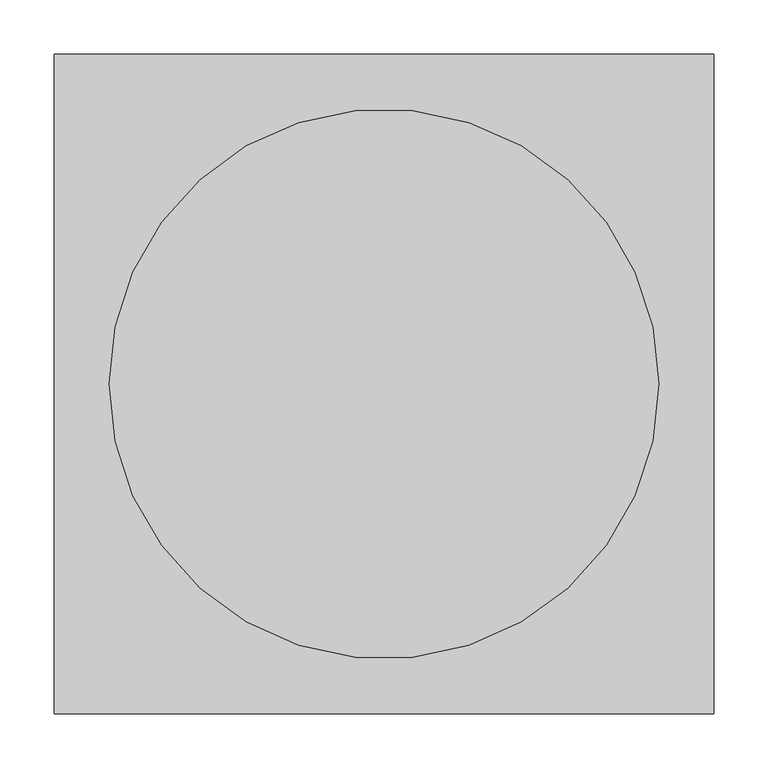
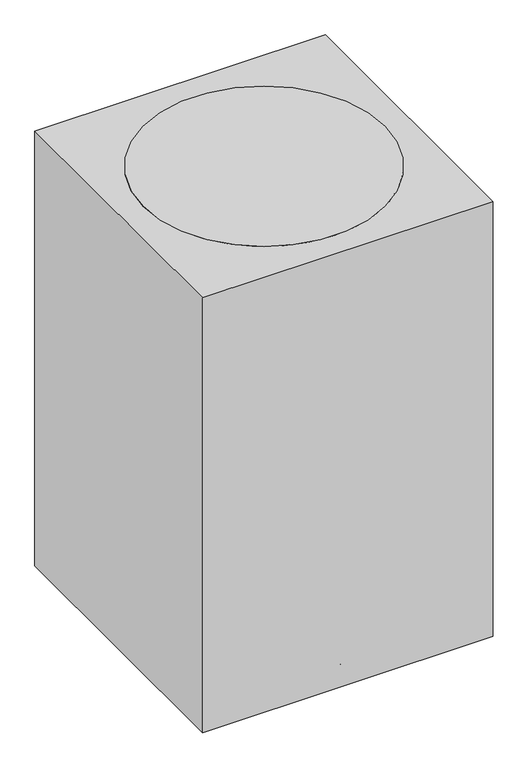
"""IFC4 building model written with IfcOpenShell, lengths in millimetres: proxy geometry."""

from ifc_helpers import new_model, si_unit, point, frame, frame_2d, origin, origin_with_axes, origin_2d, place, context, project, spatial, polyline, circle_curve, trimmed, segment, composite_curve, outline, extrude, source, transform, mapped, element, save


def specialty_equipment_202f6a34(model_context):
    return source(origin(), model_context, "Body", "SweptSolid", [
        extrude(outline(composite_curve([segment(trimmed(circle_curve(frame_2d((0.0, 25.7612183)), 25.7612183), [point((0.0, 51.5224365))], [point((0.0, 0.0))], False, "CARTESIAN"), True, "CONTINUOUS"), segment(trimmed(circle_curve(frame_2d((0.0, 25.7612183)), 25.7612183), [point((0.0, 0.0))], [point((0.0, 51.5224365))], False, "CARTESIAN"), True, "CONTINUOUS")], self_intersect=False)), frame((194.0446927, -79.7409054, 25.7612183), z_axis=(0.3090169943748919, 0.9510565162951716, 0.0), x_axis=(0.0, 0.0, 1.0)), (0.0, 0.0, 1.0), 31.75),
        extrude(outline(composite_curve([segment(polyline([(57.1058784, 0.0), (0.678315, 0.0)]), True, "CONTINUOUS"), segment(trimmed(circle_curve(frame_2d((28.8920967, 0.0)), 28.2137817), [point((0.678315, 0.0))], [point((57.1058784, 0.0))], False, "CARTESIAN"), True, "CONTINUOUS")], self_intersect=False)), frame((245.0419551, -99.649313, 25.7612183), z_axis=(0.30901699437489183, 0.9510565162951716, 0.0), x_axis=(-0.9510565162951716, 0.30901699437489183, 0.0)), (0.0, 0.0, 1.0), 38.1),
        extrude(outline(composite_curve([segment(trimmed(circle_curve(frame_2d((223.4509477, -72.6028121)), 3.5091751), [point((222.3665529, -75.940236))], [point((224.5353424, -69.2653883))], False, "CARTESIAN"), True, "CONTINUOUS"), segment(trimmed(circle_curve(frame_2d((223.4509477, -72.6028121)), 3.5091751), [point((224.5353424, -69.2653883))], [point((222.3665529, -75.940236))], False, "CARTESIAN"), True, "CONTINUOUS")], self_intersect=False)), frame((0.0, 0.0, 53.975), z_axis=(0.0, 0.0, 1.0), x_axis=(1.0, 0.0, 0.0)), (0.0, 0.0, 1.0), 13.49375),
        extrude(outline(polyline([(230.0293313, -68.0638809), (226.105055, -80.1415615), (21.4736172, -13.6527769), (25.3978935, -1.5750963), (230.0293313, -68.0638809)])), frame((0.0, 0.0, 67.46875), z_axis=(0.0, 0.0, 1.0), x_axis=(1.0, 0.0, 0.0)), (0.0, 0.0, 1.0), 50.8),
        extrude(outline(composite_curve([segment(trimmed(circle_curve(frame_2d((0.0, 25.7612183)), 25.7612183), [point((0.0, 51.5224366))], [point((0.0, 0.0))], False, "CARTESIAN"), True, "CONTINUOUS"), segment(trimmed(circle_curve(frame_2d((0.0, 25.7612183)), 25.7612183), [point((0.0, 0.0))], [point((0.0, 51.5224366))], False, "CARTESIAN"), True, "CONTINUOUS")], self_intersect=False)), frame((135.8012154, 159.9061745, 25.7612183), z_axis=(-0.8090169943749846, 0.5877852522924221, 0.0), x_axis=(0.0, 0.0, 1.0)), (0.0, 0.0, 1.0), 31.75),
        extrude(outline(composite_curve([segment(polyline([(57.1058785, 0.0), (0.678315, 0.0)]), True, "CONTINUOUS"), segment(trimmed(circle_curve(frame_2d((28.8920967, 0.0)), 28.2137817), [point((0.678315, 0.0))], [point((57.1058785, 0.0))], False, "CARTESIAN"), True, "CONTINUOUS")], self_intersect=False)), frame((170.4942569, 202.255417, 25.7612183), z_axis=(-0.8090169943749845, 0.5877852522924222, 0.0), x_axis=(-0.5877852522924222, -0.8090169943749845, 0.0)), (0.0, 0.0, 1.0), 38.1),
        extrude(outline(composite_curve([segment(trimmed(circle_curve(frame_2d((138.0995178, 190.0789771)), 3.5091751), [point((140.9385001, 188.0163357))], [point((135.2605355, 192.1416185))], False, "CARTESIAN"), True, "CONTINUOUS"), segment(trimmed(circle_curve(frame_2d((138.0995178, 190.0789771)), 3.5091751), [point((135.2605355, 192.1416185))], [point((140.9385001, 188.0163357))], False, "CARTESIAN"), True, "CONTINUOUS")], self_intersect=False)), frame((0.0, 0.0, 53.975), z_axis=(0.0, 0.0, 1.0), x_axis=(1.0, 0.0, 0.0)), (0.0, 0.0, 1.0), 13.49375),
        extrude(outline(polyline([(135.81557, 197.7379985), (146.0894588, 190.2735815), (19.620275, 16.2036835), (9.3463863, 23.6681006), (135.81557, 197.7379985)])), frame((0.0, 0.0, 67.46875), z_axis=(0.0, 0.0, 1.0), x_axis=(1.0, 0.0, 0.0)), (0.0, 0.0, 1.0), 50.8),
        extrude(outline(composite_curve([segment(trimmed(circle_curve(frame_2d((0.0, 25.7612183)), 25.7612183), [point((0.0, 51.5224366))], [point((0.0, 0.0))], False, "CARTESIAN"), True, "CONTINUOUS"), segment(trimmed(circle_curve(frame_2d((0.0, 25.7612183)), 25.7612183), [point((0.0, 0.0))], [point((0.0, 51.5224366))], False, "CARTESIAN"), True, "CONTINUOUS")], self_intersect=False)), frame((-135.8012154, 159.9061745, 25.7612183), z_axis=(0.8090169943749151, 0.5877852522925178, 0.0), x_axis=(0.0, 0.0, -1.0)), (0.0, 0.0, 1.0), 31.75),
        extrude(outline(composite_curve([segment(trimmed(circle_curve(frame_2d((-28.8920967, 0.0)), 28.2137817), [point((-57.1058785, 0.0))], [point((-0.678315, 0.0))], False, "CARTESIAN"), True, "CONTINUOUS"), segment(polyline([(-0.678315, 0.0), (-57.1058785, 0.0)]), True, "CONTINUOUS")], self_intersect=False)), frame((-170.4942569, 202.255417, 25.7612183), z_axis=(0.809016994374915, 0.5877852522925177, 0.0), x_axis=(-0.5877852522925177, 0.809016994374915, 0.0)), (0.0, 0.0, 1.0), 38.1),
        extrude(outline(composite_curve([segment(trimmed(circle_curve(frame_2d((-138.1007518, 190.0780805)), 3.5091751), [point((-135.2617695, 192.1407219))], [point((-140.9397341, 188.0154391))], False, "CARTESIAN"), True, "CONTINUOUS"), segment(trimmed(circle_curve(frame_2d((-138.1007518, 190.0780805)), 3.5091751), [point((-140.9397341, 188.0154391))], [point((-135.2617695, 192.1407219))], False, "CARTESIAN"), True, "CONTINUOUS")], self_intersect=False)), frame((0.0, 0.0, 53.975), z_axis=(0.0, 0.0, 1.0), x_axis=(1.0, 0.0, 0.0)), (0.0, 0.0, 1.0), 13.49375),
        extrude(outline(polyline([(-146.0906928, 190.2726849), (-135.8168041, 197.737102), (-9.3476203, 23.667204), (-19.6215091, 16.2027869), (-146.0906928, 190.2726849)])), frame((0.0, 0.0, 67.46875), z_axis=(0.0, 0.0, 1.0), x_axis=(1.0, 0.0, 0.0)), (0.0, 0.0, 1.0), 50.8),
        extrude(outline(composite_curve([segment(trimmed(circle_curve(frame_2d((0.0, 25.7612183)), 25.7612183), [point((0.0, 51.5224365))], [point((0.0, 0.0))], False, "CARTESIAN"), True, "CONTINUOUS"), segment(trimmed(circle_curve(frame_2d((0.0, 25.7612183)), 25.7612183), [point((0.0, 0.0))], [point((0.0, 51.5224365))], False, "CARTESIAN"), True, "CONTINUOUS")], self_intersect=False)), frame((-194.0446927, -79.7409054, 25.7612183), z_axis=(-0.3090169943749793, 0.9510565162951433, 0.0), x_axis=(0.0, 0.0, -1.0)), (0.0, 0.0, 1.0), 31.75),
        extrude(outline(composite_curve([segment(trimmed(circle_curve(frame_2d((-28.8920967, 0.0)), 28.2137817), [point((-57.1058784, 0.0))], [point((-0.678315, 0.0))], False, "CARTESIAN"), True, "CONTINUOUS"), segment(polyline([(-0.678315, 0.0), (-57.1058784, 0.0)]), True, "CONTINUOUS")], self_intersect=False)), frame((-245.0419551, -99.649313, 25.7612183), z_axis=(-0.3090169943749793, 0.9510565162951433, 0.0), x_axis=(-0.9510565162951433, -0.3090169943749793, 0.0)), (0.0, 0.0, 1.0), 38.1),
        extrude(outline(composite_curve([segment(trimmed(circle_curve(frame_2d((-223.4504763, -72.6042628)), 3.5091751), [point((-224.5348711, -69.266839))], [point((-222.3660816, -75.9416867))], False, "CARTESIAN"), True, "CONTINUOUS"), segment(trimmed(circle_curve(frame_2d((-223.4504763, -72.6042628)), 3.5091751), [point((-222.3660816, -75.9416867))], [point((-224.5348711, -69.266839))], False, "CARTESIAN"), True, "CONTINUOUS")], self_intersect=False)), frame((0.0, 0.0, 53.975), z_axis=(0.0, 0.0, 1.0), x_axis=(1.0, 0.0, 0.0)), (0.0, 0.0, 1.0), 13.49375),
        extrude(outline(polyline([(-226.1045836, -80.1430121), (-230.0288599, -68.0653316), (-25.3974221, -1.576547), (-21.4731458, -13.6542275), (-226.1045836, -80.1430121)])), frame((0.0, 0.0, 67.46875), z_axis=(0.0, 0.0, 1.0), x_axis=(1.0, 0.0, 0.0)), (0.0, 0.0, 1.0), 50.8),
        extrude(outline(composite_curve([segment(trimmed(circle_curve(frame_2d((-234.9499827, 25.7612183)), 25.7612183), [point((-260.7112009, 25.7612183))], [point((-209.1887644, 25.7612183))], False, "CARTESIAN"), True, "CONTINUOUS"), segment(trimmed(circle_curve(frame_2d((-234.9499827, 25.7612183)), 25.7612183), [point((-209.1887644, 25.7612183))], [point((-260.7112009, 25.7612183))], False, "CARTESIAN"), True, "CONTINUOUS")], self_intersect=False)), frame((-15.875, 0.0, 0.0), z_axis=(1.0, 0.0, 0.0), x_axis=(0.0, 1.0, 0.0)), (0.0, 0.0, 1.0), 31.75),
        extrude(outline(composite_curve([segment(polyline([(-206.7362009, 25.7612183), (-263.1637644, 25.7612183)]), True, "CONTINUOUS"), segment(trimmed(circle_curve(frame_2d((-234.9499827, 25.7612183)), 28.2137817), [point((-263.1637644, 25.7612183))], [point((-206.7362009, 25.7612183))], False, "CARTESIAN"), True, "CONTINUOUS")], self_intersect=False)), frame((-19.05, 0.0, 0.0), z_axis=(1.0, 0.0, 0.0), x_axis=(0.0, 1.0, 0.0)), (0.0, 0.0, 1.0), 38.1),
        extrude(outline(composite_curve([segment(trimmed(circle_curve(frame_2d((0.0007627, -234.9499827)), 3.5091751), [point((-3.5084124, -234.9499827))], [point((3.5099378, -234.9499827))], False, "CARTESIAN"), True, "CONTINUOUS"), segment(trimmed(circle_curve(frame_2d((0.0007627, -234.9499827)), 3.5091751), [point((3.5099378, -234.9499827))], [point((-3.5084124, -234.9499827))], False, "CARTESIAN"), True, "CONTINUOUS")], self_intersect=False)), frame((0.0, 0.0, 53.975), z_axis=(0.0, 0.0, 1.0), x_axis=(1.0, 0.0, 0.0)), (0.0, 0.0, 1.0), 13.49375),
        extrude(outline(polyline([(6.3503751, -239.8037904), (-6.3488498, -239.8037904), (-6.3488498, -24.6415636), (6.3503751, -24.6415636), (6.3503751, -239.8037904)])), frame((0.0, 0.0, 67.46875), z_axis=(0.0, 0.0, 1.0), x_axis=(1.0, 0.0, 0.0)), (0.0, 0.0, 1.0), 50.8),
        extrude(outline(composite_curve([segment(trimmed(circle_curve(origin_2d(), 25.4466483), [point((-25.4466483, 0.0))], [point((25.4466483, 0.0))], False, "CARTESIAN"), True, "CONTINUOUS"), segment(trimmed(circle_curve(origin_2d(), 25.4466483), [point((25.4466483, 0.0))], [point((-25.4466483, 0.0))], False, "CARTESIAN"), True, "CONTINUOUS")], self_intersect=False)), frame((0.0, 0.0, 67.46875), z_axis=(0.0, 0.0, 1.0), x_axis=(1.0, 0.0, 0.0)), (0.0, 0.0, 1.0), 846.93125),
        extrude(outline(composite_curve([segment(trimmed(circle_curve(origin_2d(), 254.0), [point((-254.0, 0.0))], [point((254.0, 0.0))], False, "CARTESIAN"), True, "CONTINUOUS"), segment(trimmed(circle_curve(origin_2d(), 254.0), [point((254.0, 0.0))], [point((-254.0, 0.0))], False, "CARTESIAN"), True, "CONTINUOUS")], self_intersect=False)), frame((0.0, 0.0, 914.4), z_axis=(0.0, 0.0, 1.0), x_axis=(1.0, 0.0, 0.0)), (0.0, 0.0, 1.0), 50.8),
        extrude(outline(polyline([(304.8, -304.8), (-304.8, -304.8), (-304.8, 304.8), (304.8, 304.8), (304.8, -304.8)])), origin_with_axes(), (0.0, 0.0, 1.0), 965.2),
    ])


if __name__ == "__main__":
    model = new_model("IFC4")
    model_context = context("Model", 3, world=origin())
    ifc_project = project(units=[si_unit("LENGTHUNIT", "METRE", prefix="MILLI")], contexts=[model_context])
    site = spatial("IfcSite", under=ifc_project)
    building = spatial("IfcBuilding", under=site)
    placement = place(None, origin())
    specialty_equipment_shape = specialty_equipment_202f6a34(model_context)
    element("IfcBuildingElementProxy", 1, Name="Specialty Equipment", at=placement, inside=building, context=model_context, shape_type="MappedRepresentation", body=[
        mapped(specialty_equipment_shape, transform((0.0, 0.0, 0.0), x_axis=(1.0, 0.0, 0.0), y_axis=(0.0, 1.0, 0.0), z_axis=(0.0, 0.0, 1.0))),
    ])
    save(model, "model.ifc")
